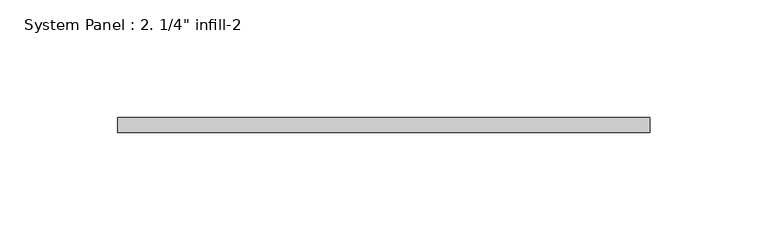
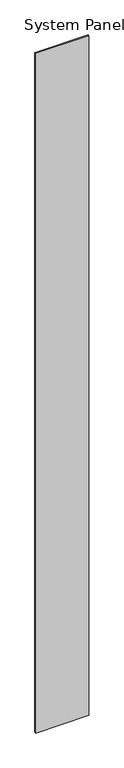
"""IFC4 building model written with IfcOpenShell, lengths in millimetres: plate geometry."""

from ifc_helpers import new_model, si_unit, origin, origin_with_axes, place, context, project, spatial, polyline, outline, extrude, source, transform, mapped, element, save


def plate_235e88a6(model_context):
    return source(origin(), model_context, "Body", "SweptSolid", [
        extrude(outline(polyline([(112.7706106, 0.0), (-112.7706106, 0.0), (-112.7706106, 6.35), (112.7706106, 6.35), (112.7706106, 0.0)])), origin_with_axes(), (0.0, 0.0, 1.0), 3048.0),
    ])


if __name__ == "__main__":
    model = new_model("IFC4")
    model_context = context("Model", 3, world=origin())
    ifc_project = project(units=[si_unit("LENGTHUNIT", "METRE", prefix="MILLI")], contexts=[model_context])
    site = spatial("IfcSite", under=ifc_project)
    building = spatial("IfcBuilding", under=site)
    placement = place(None, origin())
    plate_shape = plate_235e88a6(model_context)
    element("IfcPlate", 1, ObjectType="System Panel : 2. 1/4\" infill-2", at=placement, inside=building, context=model_context, shape_type="MappedRepresentation", body=[
        mapped(plate_shape, transform((0.0, 0.0, 0.0), x_axis=(1.0, 0.0, 0.0), y_axis=(0.0, 1.0, 0.0), z_axis=(0.0, 0.0, 1.0))),
    ])
    save(model, "model.ifc")
